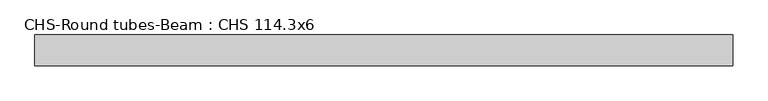
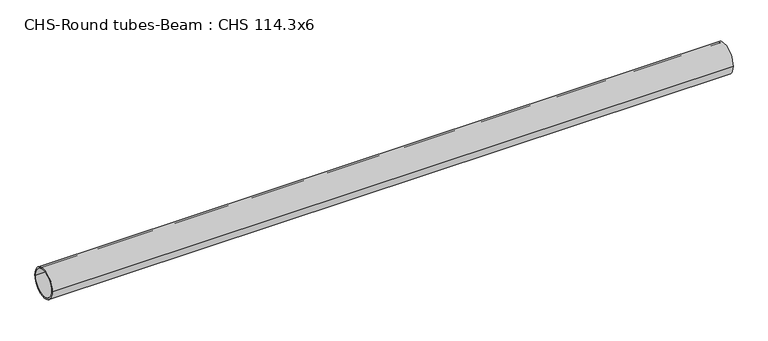
"""IFC4 building model written with IfcOpenShell, lengths in millimetres: beam geometry, CHS-Round tubes-Beam : CHS 114.3x6."""

import ifcopenshell
import ifcopenshell.guid

model = None  # the IFC model being written
_history = None  # IfcOwnerHistory: only IFC2X3 demands one
_inside = {}  # id of a spatial element -> (the spatial element, [elements in it])
_under = {}  # id of a project, library or spatial element -> (it, [spatial elements below it])
_declared = {}  # id of a project -> (the project, [libraries it declares])
_typed = {}  # id of a type object -> (the type object, [elements of that type])
_made_of = {}  # id of a material, layer set ... -> (it, [elements and type objects made of it])


def new_model(schema):
    """Start an empty IFC model of exactly this schema.

    Asked for "IFC4X3", IfcOpenShell would pick the latest addendum, in which some entities
    have other attributes; the version numbers below select the first issue.
    IFC2X3 requires an IfcOwnerHistory on every rooted entity: one is made here for all.
    """
    global model, _history
    if schema == "IFC4X3":
        model = ifcopenshell.file(schema_version=(4, 3, 0, 0))
    else:
        model = ifcopenshell.file(schema=schema)
    _inside.clear()
    _under.clear()
    _declared.clear()
    _typed.clear()
    _made_of.clear()
    _history = None
    if model.schema == "IFC2X3":
        org = make("IfcOrganization", Name="unknown")
        user = make(
            "IfcPersonAndOrganization",
            ThePerson=make("IfcPerson", FamilyName="unknown"),
            TheOrganization=org,
        )
        app = make(
            "IfcApplication",
            ApplicationDeveloper=org,
            Version="unknown",
            ApplicationFullName="unknown",
            ApplicationIdentifier="unknown",
        )
        _history = make(
            "IfcOwnerHistory",
            OwningUser=user,
            OwningApplication=app,
            ChangeAction="ADDED",
            CreationDate=0,
        )
    return model


def make(cls, **values):
    """One entity of the class cls with the attributes given. An attribute that is None is left unset."""
    return model.create_entity(
        cls, **{name: value for name, value in values.items() if value is not None}
    )


def rooted(cls, **values):
    """An entity with a GlobalId (a new one), such as an element, a storey or a relation."""
    return make(cls, GlobalId=ifcopenshell.guid.new(), OwnerHistory=_history, **values)


def si_unit(unit_type, name, prefix=None):
    """IfcSIUnit, for example si_unit("LENGTHUNIT", "METRE", prefix="MILLI")."""
    return make("IfcSIUnit", UnitType=unit_type, Prefix=prefix, Name=name)


def assignment(units):
    """IfcUnitAssignment: the units of a project."""
    return None if units is None else make("IfcUnitAssignment", Units=units)


def point(xyz):
    """IfcCartesianPoint."""
    return None if xyz is None else make("IfcCartesianPoint", Coordinates=xyz)


def direction(xyz):
    """IfcDirection."""
    return None if xyz is None else make("IfcDirection", DirectionRatios=xyz)


def frame(location, z_axis=None, x_axis=None):
    """IfcAxis2Placement3D, a coordinate frame: its origin and axes. An axis left out is left unset."""
    return make(
        "IfcAxis2Placement3D",
        Location=point(location),
        Axis=direction(z_axis),
        RefDirection=direction(x_axis),
    )


def frame_2d(location, x_axis=None):
    """IfcAxis2Placement2D, a coordinate frame in the plane: its origin and x axis."""
    return make(
        "IfcAxis2Placement2D", Location=point(location), RefDirection=direction(x_axis)
    )


def origin():
    """The frame at (0, 0, 0) with its axes left unset."""
    return frame((0.0, 0.0, 0.0))


def origin_2d():
    """The frame at (0, 0) in the plane with its x axis left unset."""
    return frame_2d((0.0, 0.0))


def place(relative_to, where):
    """IfcLocalPlacement: puts the frame where relative to a parent placement (None: the world)."""
    return make(
        "IfcLocalPlacement", PlacementRelTo=relative_to, RelativePlacement=where
    )


def context(
    kind, dimensions, precision=None, world=None, true_north=None, identifier=None
):
    """IfcGeometricRepresentationContext, for example the 3D "Model" context."""
    return make(
        "IfcGeometricRepresentationContext",
        ContextIdentifier=identifier,
        ContextType=kind,
        CoordinateSpaceDimension=dimensions,
        Precision=precision,
        WorldCoordinateSystem=world,
        TrueNorth=true_north,
    )


def project(units=None, contexts=None):
    """IfcProject with its units and contexts."""
    return rooted(
        "IfcProject",
        Name="project",
        RepresentationContexts=contexts,
        UnitsInContext=assignment(units),
    )


def spatial(cls, under=None, at=None, **own):
    """A site, building, storey or space (cls), placed at a placement, below another one or the project."""
    s = rooted(cls, ObjectPlacement=at, **own)
    if under is not None:
        _under.setdefault(under.id(), (under, []))[1].append(s)
    return s


def circle_curve(where, radius):
    """IfcCircle in the frame where."""
    return make("IfcCircle", Position=where, Radius=radius)


def trimmed(basis, trim1, trim2, sense, master):
    """IfcTrimmedCurve: the piece of a basis curve between two trims."""
    return make(
        "IfcTrimmedCurve",
        BasisCurve=basis,
        Trim1=trim1,
        Trim2=trim2,
        SenseAgreement=sense,
        MasterRepresentation=master,
    )


def segment(curve, same_sense, transition):
    """IfcCompositeCurveSegment."""
    return make(
        "IfcCompositeCurveSegment",
        Transition=transition,
        SameSense=same_sense,
        ParentCurve=curve,
    )


def composite_curve(segments, self_intersect=None):
    """IfcCompositeCurve: segments joined end to end."""
    return make("IfcCompositeCurve", Segments=segments, SelfIntersect=self_intersect)


def outline(outer, holes=None, kind="AREA"):
    """IfcArbitraryClosedProfileDef: a profile drawn as a closed curve; with holes, ...WithVoids."""
    if holes is None:
        return make("IfcArbitraryClosedProfileDef", ProfileType=kind, OuterCurve=outer)
    return make(
        "IfcArbitraryProfileDefWithVoids",
        ProfileType=kind,
        OuterCurve=outer,
        InnerCurves=holes,
    )


def extrude(swept, where, along, depth):
    """IfcExtrudedAreaSolid: the profile swept, set in the frame where, extruded along a direction by depth."""
    return make(
        "IfcExtrudedAreaSolid",
        SweptArea=swept,
        Position=where,
        ExtrudedDirection=direction(along),
        Depth=depth,
    )


def shape(context_of_items, identifier, shape_type, items):
    """IfcShapeRepresentation: the items that make up one representation, for example the "Body"."""
    return make(
        "IfcShapeRepresentation",
        ContextOfItems=context_of_items,
        RepresentationIdentifier=identifier,
        RepresentationType=shape_type,
        Items=items,
    )


def source(mapping_origin, context_of_items, identifier, shape_type, items):
    """IfcRepresentationMap: a shape defined once, which mapped items show again and again."""
    return make(
        "IfcRepresentationMap",
        MappingOrigin=mapping_origin,
        MappedRepresentation=shape(context_of_items, identifier, shape_type, items),
    )


def transform(
    local_origin,
    x_axis=None,
    y_axis=None,
    z_axis=None,
    scale=None,
    scale2=None,
    scale3=None,
    uniform=True,
):
    """IfcCartesianTransformationOperator3D, or its non-uniform kind. x_axis, y_axis, z_axis: its Axis1, 2, 3."""
    if uniform:
        return make(
            "IfcCartesianTransformationOperator3D",
            Axis1=direction(x_axis),
            Axis2=direction(y_axis),
            LocalOrigin=point(local_origin),
            Scale=scale,
            Axis3=direction(z_axis),
        )
    return make(
        "IfcCartesianTransformationOperator3DnonUniform",
        Axis1=direction(x_axis),
        Axis2=direction(y_axis),
        LocalOrigin=point(local_origin),
        Scale=scale,
        Axis3=direction(z_axis),
        Scale2=scale2,
        Scale3=scale3,
    )


def mapped(mapping_source, mapping_target):
    """IfcMappedItem: shows the shape of a source again, moved by a transform."""
    return make(
        "IfcMappedItem", MappingSource=mapping_source, MappingTarget=mapping_target
    )


def made_of(thing, what):
    """Note that an element or type object is made of a material, layer set ...; save() writes the relation."""
    if what is not None:
        _made_of.setdefault(what.id(), (what, []))[1].append(thing)
    return thing


def element(
    cls,
    number,
    at=None,
    inside=None,
    cuts=None,
    type_object=None,
    material=None,
    context=None,
    identifier="Body",
    shape_type=None,
    held_by="IfcProductDefinitionShape",
    body=None,
    shapes=None,
    **own,
):
    """One element of the class cls, such as IfcWall. Its Tag is "e" and its number.

    at: its placement. inside: the storey or other place that contains it. cuts: it is an
    opening in that element (IfcRelVoidsElement). A single representation is given by context,
    identifier, shape_type and body (its items); several are given by shapes. held_by: the class
    of the entity that holds the representations. save() writes the other relations.
    """
    e = rooted(cls, Tag="e%d" % number, ObjectPlacement=at, **own)
    if body is not None:
        shapes = [shape(context, identifier, shape_type, body)]
    if shapes is not None:
        e.Representation = make(held_by, Representations=shapes)
    if inside is not None:
        _inside.setdefault(inside.id(), (inside, []))[1].append(e)
    if cuts is not None:
        rooted(
            "IfcRelVoidsElement", RelatingBuildingElement=cuts, RelatedOpeningElement=e
        )
    if type_object is not None:
        _typed.setdefault(type_object.id(), (type_object, []))[1].append(e)
    return made_of(e, material)


def aggregate(whole, parts):
    """IfcRelAggregates: a whole, such as a stair, and the parts it consists of."""
    return rooted("IfcRelAggregates", RelatingObject=whole, RelatedObjects=parts)


def save(model, path):
    """Write the relations noted so far, then the file.

    IfcRelAggregates (storeys below a building ...), IfcRelContainedInSpatialStructure (elements
    in a storey), IfcRelDefinesByType, IfcRelAssociatesMaterial and IfcRelDeclares: one each for
    every whole, place, type object, material and project.
    """
    for whole, parts in _under.values():
        aggregate(whole, parts)
    for where, things in _inside.values():
        rooted(
            "IfcRelContainedInSpatialStructure",
            RelatedElements=things,
            RelatingStructure=where,
        )
    for kind, things in _typed.values():
        rooted("IfcRelDefinesByType", RelatedObjects=things, RelatingType=kind)
    for what, things in _made_of.values():
        rooted("IfcRelAssociatesMaterial", RelatedObjects=things, RelatingMaterial=what)
    for by, libraries in _declared.values():
        rooted("IfcRelDeclares", RelatingContext=by, RelatedDefinitions=libraries)
    model.write(path)


def chs_round_tubes_beam_chs_114_3x6_8d99f1a8(model_context):
    return source(origin(), model_context, "Body", "SweptSolid", [
        extrude(outline(composite_curve([segment(trimmed(circle_curve(origin_2d(), 57.15), [point((57.15, 0.0))], [point((-57.15, 0.0))], False, "CARTESIAN"), True, "CONTINUOUS"), segment(trimmed(circle_curve(origin_2d(), 57.15), [point((-57.15, 0.0))], [point((57.15, 0.0))], False, "CARTESIAN"), True, "CONTINUOUS")], self_intersect=False), holes=[composite_curve([segment(trimmed(circle_curve(origin_2d(), 51.15), [point((51.15, 0.0))], [point((-51.15, 0.0))], True, "CARTESIAN"), True, "CONTINUOUS"), segment(trimmed(circle_curve(origin_2d(), 51.15), [point((-51.15, 0.0))], [point((51.15, 0.0))], True, "CARTESIAN"), True, "CONTINUOUS")], self_intersect=False)]), frame((-1260.9085438, 0.0, 0.0), z_axis=(1.0, 0.0, 0.0), x_axis=(0.0, 1.0, 0.0)), (0.0, 0.0, 1.0), 2594.9039764),
    ])


if __name__ == "__main__":
    model = new_model("IFC4")
    model_context = context("Model", 3, world=origin())
    ifc_project = project(units=[si_unit("LENGTHUNIT", "METRE", prefix="MILLI")], contexts=[model_context])
    site = spatial("IfcSite", under=ifc_project)
    building = spatial("IfcBuilding", under=site)
    placement = place(None, origin())
    chs_round_tubes_beam_chs_114_3x6_shape = chs_round_tubes_beam_chs_114_3x6_8d99f1a8(model_context)
    element("IfcBeam", 1, ObjectType="CHS-Round tubes-Beam : CHS 114.3x6", at=placement, inside=building, context=model_context, shape_type="MappedRepresentation", body=[
        mapped(chs_round_tubes_beam_chs_114_3x6_shape, transform((0.0, 0.0, 0.0), x_axis=(1.0, 0.0, 0.0), y_axis=(0.0, 1.0, 0.0), z_axis=(0.0, 0.0, 1.0))),
    ])
    save(model, "model.ifc")
